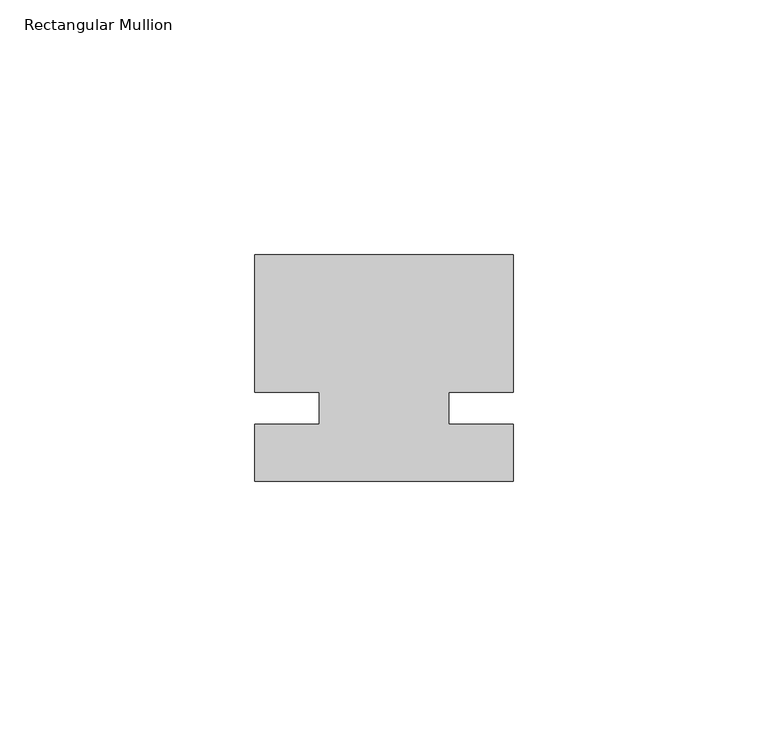
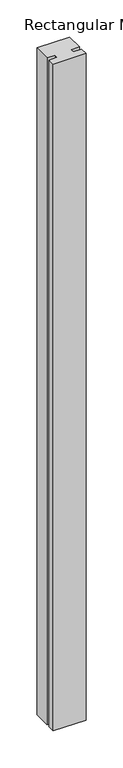
"""IFC4 building model written with IfcOpenShell, lengths in millimetres: member geometry, Rectangular Mullion."""

from ifc_helpers import new_model, si_unit, frame, origin, place, context, project, spatial, polyline, outline, extrude, source, transform, mapped, element, save


def rectangular_mullion_479c9f8c(model_context):
    return source(origin(), model_context, "Body", "SweptSolid", [
        extrude(outline(polyline([(29.7344027, 30.1625), (29.7344027, 3.175), (17.0326322, 3.175), (17.0326322, -3.175), (29.7344027, -3.175), (29.7344027, -14.2875), (-21.0655973, -14.2875), (-21.0655973, -3.175), (-8.3655973, -3.175), (-8.3655973, 3.175), (-21.0655973, 3.175), (-21.0655973, 30.1625), (29.7344027, 30.1625)])), frame((0.0, 0.0, -1099.7094027), z_axis=(0.0, 0.0, 1.0), x_axis=(1.0, 0.0, 0.0)), (0.0, 0.0, 1.0), 1099.7094027),
    ])


if __name__ == "__main__":
    model = new_model("IFC4")
    model_context = context("Model", 3, world=origin())
    ifc_project = project(units=[si_unit("LENGTHUNIT", "METRE", prefix="MILLI")], contexts=[model_context])
    site = spatial("IfcSite", under=ifc_project)
    building = spatial("IfcBuilding", under=site)
    placement = place(None, origin())
    rectangular_mullion_shape = rectangular_mullion_479c9f8c(model_context)
    element("IfcMember", 1, ObjectType="Rectangular Mullion", at=placement, inside=building, context=model_context, shape_type="MappedRepresentation", body=[
        mapped(rectangular_mullion_shape, transform((0.0, 0.0, 0.0), x_axis=(1.0, 0.0, 0.0), y_axis=(0.0, 1.0, 0.0), z_axis=(0.0, 0.0, 1.0))),
    ])
    save(model, "model.ifc")
